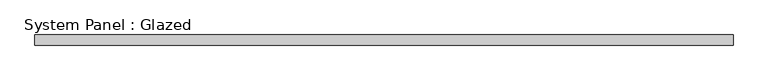
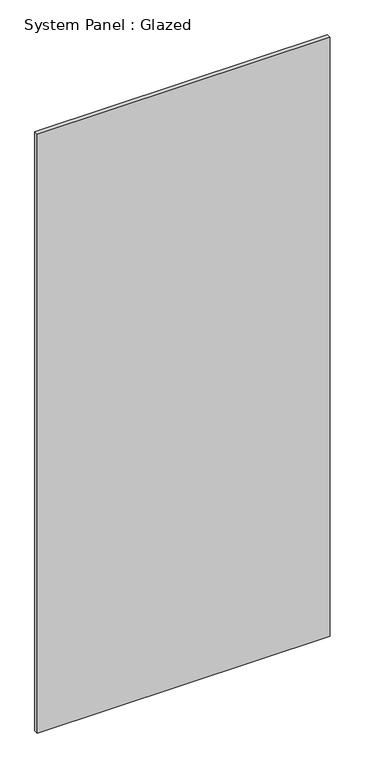
"""IFC4 building model written with IfcOpenShell, lengths in millimetres: plate geometry, System Panel : Glazed."""

from ifc_helpers import new_model, si_unit, origin, origin_with_axes, place, context, project, spatial, polyline, outline, extrude, source, transform, mapped, element, save


def system_panel_glazed_5315160c(model_context):
    return source(origin(), model_context, "Body", "SweptSolid", [
        extrude(outline(polyline([(846.8295473, 19.05), (-846.8295473, 19.05), (-846.8295473, 44.45), (846.8295473, 44.45), (846.8295473, 19.05)])), origin_with_axes(), (0.0, 0.0, 1.0), 3657.6),
    ])


if __name__ == "__main__":
    model = new_model("IFC4")
    model_context = context("Model", 3, world=origin())
    ifc_project = project(units=[si_unit("LENGTHUNIT", "METRE", prefix="MILLI")], contexts=[model_context])
    site = spatial("IfcSite", under=ifc_project)
    building = spatial("IfcBuilding", under=site)
    placement = place(None, origin())
    system_panel_glazed_shape = system_panel_glazed_5315160c(model_context)
    element("IfcPlate", 1, ObjectType="System Panel : Glazed", at=placement, inside=building, context=model_context, shape_type="MappedRepresentation", body=[
        mapped(system_panel_glazed_shape, transform((0.0, 0.0, 0.0), x_axis=(1.0, 0.0, 0.0), y_axis=(0.0, 1.0, 0.0), z_axis=(0.0, 0.0, 1.0))),
    ])
    save(model, "model.ifc")
